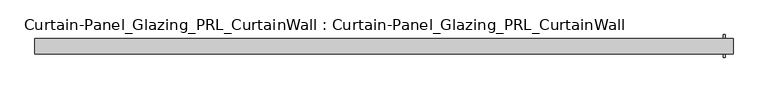
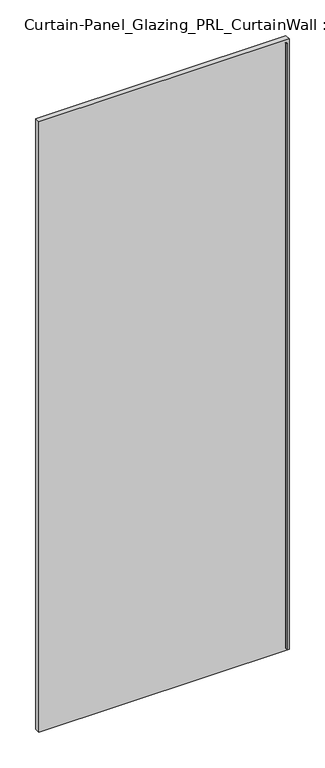
"""IFC4 building model written with IfcOpenShell, lengths in millimetres: plate geometry, Curtain-Panel_Glazing_PRL_CurtainWall : Curtain-Panel_Glazing_PRL_CurtainWall."""

from ifc_helpers import new_model, si_unit, frame, origin, origin_with_axes, place, context, project, spatial, polyline, outline, extrude, source, transform, mapped, element, save


def curtain_panel_glazing_prl_curtainwall_curtain_panel_glazing_668b4dac(model_context):
    return source(origin(), model_context, "Body", "SweptSolid", [
        extrude(outline(polyline([(565.94375, -19.05), (561.975, -19.05), (561.975, -12.7), (565.94375, -12.7), (565.94375, -19.05)])), frame((0.0, 0.0, 12.7), z_axis=(0.0, 0.0, 1.0), x_axis=(1.0, 0.0, 0.0)), (0.0, 0.0, 1.0), 2960.6875),
        extrude(outline(polyline([(565.94375, 19.05), (565.94375, 12.7), (561.975, 12.7), (561.975, 19.05), (565.94375, 19.05)])), frame((0.0, 0.0, 12.7), z_axis=(0.0, 0.0, 1.0), x_axis=(1.0, 0.0, 0.0)), (0.0, 0.0, 1.0), 2960.6875),
        extrude(outline(polyline([(578.64375, 12.7), (578.64375, -12.7), (-578.64375, -12.7), (-578.64375, 12.7), (578.64375, 12.7)])), origin_with_axes(), (0.0, 0.0, 1.0), 2986.0875),
    ])


if __name__ == "__main__":
    model = new_model("IFC4")
    model_context = context("Model", 3, world=origin())
    ifc_project = project(units=[si_unit("LENGTHUNIT", "METRE", prefix="MILLI")], contexts=[model_context])
    site = spatial("IfcSite", under=ifc_project)
    building = spatial("IfcBuilding", under=site)
    placement = place(None, origin())
    curtain_panel_glazing_prl_curtainwall_curtain_panel_glazing_shape = curtain_panel_glazing_prl_curtainwall_curtain_panel_glazing_668b4dac(model_context)
    element("IfcPlate", 1, ObjectType="Curtain-Panel_Glazing_PRL_CurtainWall : Curtain-Panel_Glazing_PRL_CurtainWall", at=placement, inside=building, context=model_context, shape_type="MappedRepresentation", body=[
        mapped(curtain_panel_glazing_prl_curtainwall_curtain_panel_glazing_shape, transform((0.0, 0.0, 0.0), x_axis=(1.0, 0.0, 0.0), y_axis=(0.0, 1.0, 0.0), z_axis=(0.0, 0.0, 1.0))),
    ])
    save(model, "model.ifc")
